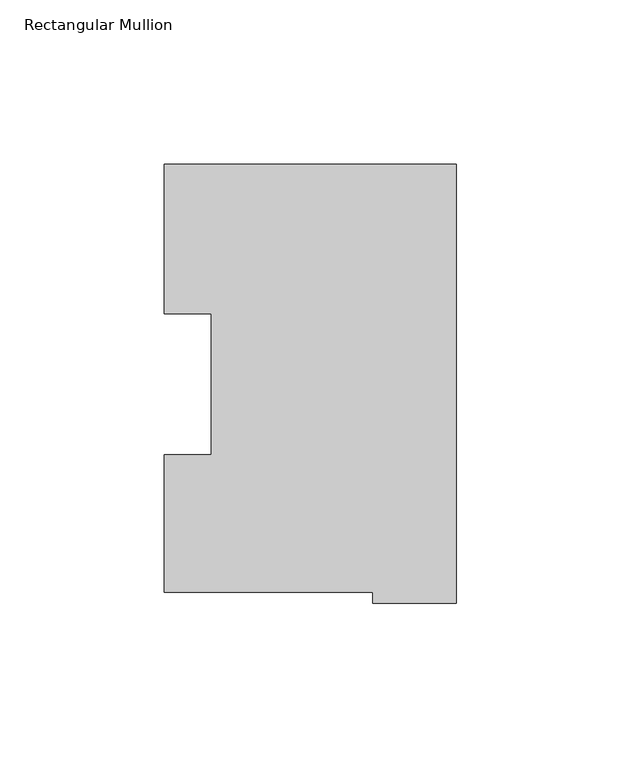
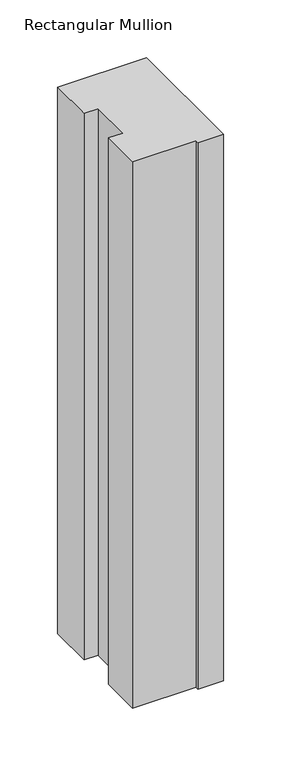
"""IFC4 building model written with IfcOpenShell, lengths in millimetres: member geometry, Rectangular Mullion."""

import ifcopenshell
import ifcopenshell.guid

model = None  # the IFC model being written
_history = None  # IfcOwnerHistory: only IFC2X3 demands one
_inside = {}  # id of a spatial element -> (the spatial element, [elements in it])
_under = {}  # id of a project, library or spatial element -> (it, [spatial elements below it])
_declared = {}  # id of a project -> (the project, [libraries it declares])
_typed = {}  # id of a type object -> (the type object, [elements of that type])
_made_of = {}  # id of a material, layer set ... -> (it, [elements and type objects made of it])


def new_model(schema):
    """Start an empty IFC model of exactly this schema.

    Asked for "IFC4X3", IfcOpenShell would pick the latest addendum, in which some entities
    have other attributes; the version numbers below select the first issue.
    IFC2X3 requires an IfcOwnerHistory on every rooted entity: one is made here for all.
    """
    global model, _history
    if schema == "IFC4X3":
        model = ifcopenshell.file(schema_version=(4, 3, 0, 0))
    else:
        model = ifcopenshell.file(schema=schema)
    _inside.clear()
    _under.clear()
    _declared.clear()
    _typed.clear()
    _made_of.clear()
    _history = None
    if model.schema == "IFC2X3":
        org = make("IfcOrganization", Name="unknown")
        user = make(
            "IfcPersonAndOrganization",
            ThePerson=make("IfcPerson", FamilyName="unknown"),
            TheOrganization=org,
        )
        app = make(
            "IfcApplication",
            ApplicationDeveloper=org,
            Version="unknown",
            ApplicationFullName="unknown",
            ApplicationIdentifier="unknown",
        )
        _history = make(
            "IfcOwnerHistory",
            OwningUser=user,
            OwningApplication=app,
            ChangeAction="ADDED",
            CreationDate=0,
        )
    return model


def make(cls, **values):
    """One entity of the class cls with the attributes given. An attribute that is None is left unset."""
    return model.create_entity(
        cls, **{name: value for name, value in values.items() if value is not None}
    )


def rooted(cls, **values):
    """An entity with a GlobalId (a new one), such as an element, a storey or a relation."""
    return make(cls, GlobalId=ifcopenshell.guid.new(), OwnerHistory=_history, **values)


def si_unit(unit_type, name, prefix=None):
    """IfcSIUnit, for example si_unit("LENGTHUNIT", "METRE", prefix="MILLI")."""
    return make("IfcSIUnit", UnitType=unit_type, Prefix=prefix, Name=name)


def assignment(units):
    """IfcUnitAssignment: the units of a project."""
    return None if units is None else make("IfcUnitAssignment", Units=units)


def point(xyz):
    """IfcCartesianPoint."""
    return None if xyz is None else make("IfcCartesianPoint", Coordinates=xyz)


def direction(xyz):
    """IfcDirection."""
    return None if xyz is None else make("IfcDirection", DirectionRatios=xyz)


def frame(location, z_axis=None, x_axis=None):
    """IfcAxis2Placement3D, a coordinate frame: its origin and axes. An axis left out is left unset."""
    return make(
        "IfcAxis2Placement3D",
        Location=point(location),
        Axis=direction(z_axis),
        RefDirection=direction(x_axis),
    )


def origin():
    """The frame at (0, 0, 0) with its axes left unset."""
    return frame((0.0, 0.0, 0.0))


def place(relative_to, where):
    """IfcLocalPlacement: puts the frame where relative to a parent placement (None: the world)."""
    return make(
        "IfcLocalPlacement", PlacementRelTo=relative_to, RelativePlacement=where
    )


def context(
    kind, dimensions, precision=None, world=None, true_north=None, identifier=None
):
    """IfcGeometricRepresentationContext, for example the 3D "Model" context."""
    return make(
        "IfcGeometricRepresentationContext",
        ContextIdentifier=identifier,
        ContextType=kind,
        CoordinateSpaceDimension=dimensions,
        Precision=precision,
        WorldCoordinateSystem=world,
        TrueNorth=true_north,
    )


def project(units=None, contexts=None):
    """IfcProject with its units and contexts."""
    return rooted(
        "IfcProject",
        Name="project",
        RepresentationContexts=contexts,
        UnitsInContext=assignment(units),
    )


def spatial(cls, under=None, at=None, **own):
    """A site, building, storey or space (cls), placed at a placement, below another one or the project."""
    s = rooted(cls, ObjectPlacement=at, **own)
    if under is not None:
        _under.setdefault(under.id(), (under, []))[1].append(s)
    return s


def polyline(points):
    """IfcPolyline through the points."""
    return make("IfcPolyline", Points=[point(p) for p in points])


def outline(outer, holes=None, kind="AREA"):
    """IfcArbitraryClosedProfileDef: a profile drawn as a closed curve; with holes, ...WithVoids."""
    if holes is None:
        return make("IfcArbitraryClosedProfileDef", ProfileType=kind, OuterCurve=outer)
    return make(
        "IfcArbitraryProfileDefWithVoids",
        ProfileType=kind,
        OuterCurve=outer,
        InnerCurves=holes,
    )


def extrude(swept, where, along, depth):
    """IfcExtrudedAreaSolid: the profile swept, set in the frame where, extruded along a direction by depth."""
    return make(
        "IfcExtrudedAreaSolid",
        SweptArea=swept,
        Position=where,
        ExtrudedDirection=direction(along),
        Depth=depth,
    )


def shape(context_of_items, identifier, shape_type, items):
    """IfcShapeRepresentation: the items that make up one representation, for example the "Body"."""
    return make(
        "IfcShapeRepresentation",
        ContextOfItems=context_of_items,
        RepresentationIdentifier=identifier,
        RepresentationType=shape_type,
        Items=items,
    )


def source(mapping_origin, context_of_items, identifier, shape_type, items):
    """IfcRepresentationMap: a shape defined once, which mapped items show again and again."""
    return make(
        "IfcRepresentationMap",
        MappingOrigin=mapping_origin,
        MappedRepresentation=shape(context_of_items, identifier, shape_type, items),
    )


def transform(
    local_origin,
    x_axis=None,
    y_axis=None,
    z_axis=None,
    scale=None,
    scale2=None,
    scale3=None,
    uniform=True,
):
    """IfcCartesianTransformationOperator3D, or its non-uniform kind. x_axis, y_axis, z_axis: its Axis1, 2, 3."""
    if uniform:
        return make(
            "IfcCartesianTransformationOperator3D",
            Axis1=direction(x_axis),
            Axis2=direction(y_axis),
            LocalOrigin=point(local_origin),
            Scale=scale,
            Axis3=direction(z_axis),
        )
    return make(
        "IfcCartesianTransformationOperator3DnonUniform",
        Axis1=direction(x_axis),
        Axis2=direction(y_axis),
        LocalOrigin=point(local_origin),
        Scale=scale,
        Axis3=direction(z_axis),
        Scale2=scale2,
        Scale3=scale3,
    )


def mapped(mapping_source, mapping_target):
    """IfcMappedItem: shows the shape of a source again, moved by a transform."""
    return make(
        "IfcMappedItem", MappingSource=mapping_source, MappingTarget=mapping_target
    )


def made_of(thing, what):
    """Note that an element or type object is made of a material, layer set ...; save() writes the relation."""
    if what is not None:
        _made_of.setdefault(what.id(), (what, []))[1].append(thing)
    return thing


def element(
    cls,
    number,
    at=None,
    inside=None,
    cuts=None,
    type_object=None,
    material=None,
    context=None,
    identifier="Body",
    shape_type=None,
    held_by="IfcProductDefinitionShape",
    body=None,
    shapes=None,
    **own,
):
    """One element of the class cls, such as IfcWall. Its Tag is "e" and its number.

    at: its placement. inside: the storey or other place that contains it. cuts: it is an
    opening in that element (IfcRelVoidsElement). A single representation is given by context,
    identifier, shape_type and body (its items); several are given by shapes. held_by: the class
    of the entity that holds the representations. save() writes the other relations.
    """
    e = rooted(cls, Tag="e%d" % number, ObjectPlacement=at, **own)
    if body is not None:
        shapes = [shape(context, identifier, shape_type, body)]
    if shapes is not None:
        e.Representation = make(held_by, Representations=shapes)
    if inside is not None:
        _inside.setdefault(inside.id(), (inside, []))[1].append(e)
    if cuts is not None:
        rooted(
            "IfcRelVoidsElement", RelatingBuildingElement=cuts, RelatedOpeningElement=e
        )
    if type_object is not None:
        _typed.setdefault(type_object.id(), (type_object, []))[1].append(e)
    return made_of(e, material)


def aggregate(whole, parts):
    """IfcRelAggregates: a whole, such as a stair, and the parts it consists of."""
    return rooted("IfcRelAggregates", RelatingObject=whole, RelatedObjects=parts)


def save(model, path):
    """Write the relations noted so far, then the file.

    IfcRelAggregates (storeys below a building ...), IfcRelContainedInSpatialStructure (elements
    in a storey), IfcRelDefinesByType, IfcRelAssociatesMaterial and IfcRelDeclares: one each for
    every whole, place, type object, material and project.
    """
    for whole, parts in _under.values():
        aggregate(whole, parts)
    for where, things in _inside.values():
        rooted(
            "IfcRelContainedInSpatialStructure",
            RelatedElements=things,
            RelatingStructure=where,
        )
    for kind, things in _typed.values():
        rooted("IfcRelDefinesByType", RelatedObjects=things, RelatingType=kind)
    for what, things in _made_of.values():
        rooted("IfcRelAssociatesMaterial", RelatedObjects=things, RelatingMaterial=what)
    for by, libraries in _declared.values():
        rooted("IfcRelDeclares", RelatingContext=by, RelatedDefinitions=libraries)
    model.write(path)


def rectangular_mullion_6888ea17(model_context):
    return source(origin(), model_context, "Body", "SweptSolid", [
        extrude(outline(polyline([(0.0, 130.1884774), (0.0, -3.4917226), (-25.3999997, -3.4917226), (-25.3999997, -0.0373193), (-88.8999997, -0.0373193), (-88.8999997, 41.7876084), (-74.6124997, 41.75685), (-74.6124997, 84.6335937), (-88.8999997, 84.6335937), (-88.8999997, 130.1884774), (0.0, 130.1884774)])), frame((0.0, 0.0, -577.8497287), z_axis=(0.0, 0.0, 1.0), x_axis=(1.0, 0.0, 0.0)), (0.0, 0.0, 1.0), 577.8497287),
    ])


if __name__ == "__main__":
    model = new_model("IFC4")
    model_context = context("Model", 3, world=origin())
    ifc_project = project(units=[si_unit("LENGTHUNIT", "METRE", prefix="MILLI")], contexts=[model_context])
    site = spatial("IfcSite", under=ifc_project)
    building = spatial("IfcBuilding", under=site)
    placement = place(None, origin())
    rectangular_mullion_shape = rectangular_mullion_6888ea17(model_context)
    element("IfcMember", 1, ObjectType="Rectangular Mullion", at=placement, inside=building, context=model_context, shape_type="MappedRepresentation", body=[
        mapped(rectangular_mullion_shape, transform((0.0, 0.0, 0.0), x_axis=(1.0, 0.0, 0.0), y_axis=(0.0, 1.0, 0.0), z_axis=(0.0, 0.0, 1.0))),
    ])
    save(model, "model.ifc")
